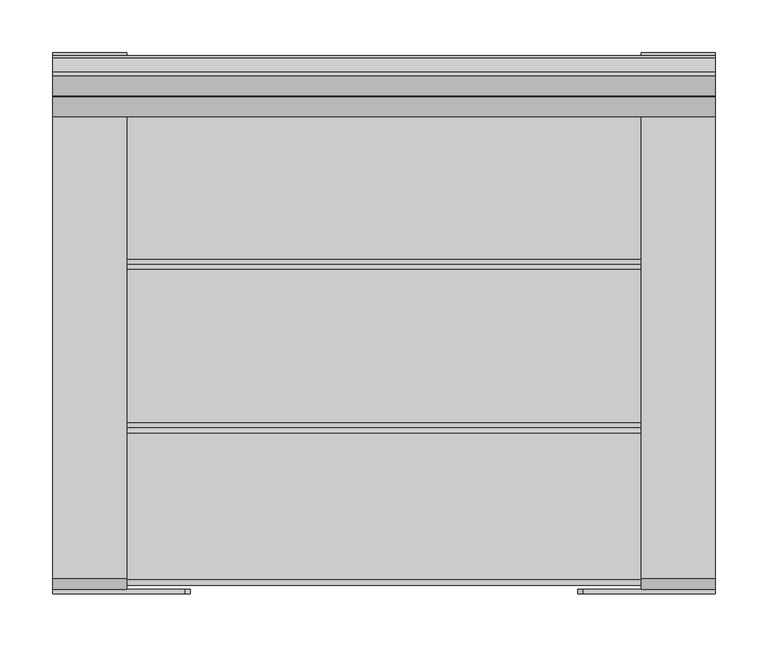
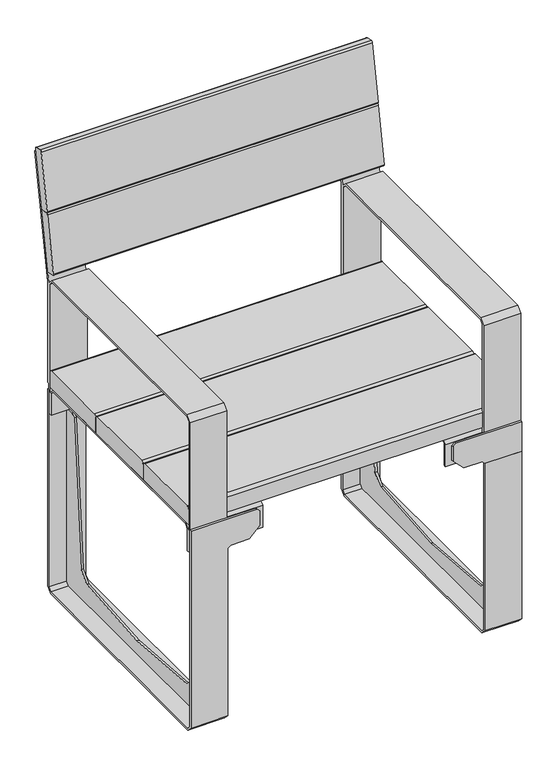
"""IFC4 building model written with IfcOpenShell, lengths in millimetres: furniture geometry."""

from ifc_helpers import new_model, si_unit, point, frame, frame_2d, origin, place, context, project, spatial, polyline, circle_curve, trimmed, segment, composite_curve, outline, extrude, faceted_brep, source, transform, mapped, element, save


def furniture_1dfdd522(model_context):
    return source(origin(), model_context, "Body", "SolidModel", [
        extrude(outline(polyline([(345.0000172, 313.0000809), (404.0000133, 313.0000809), (404.0000133, 188.0001526), (398.9997371, 182.9998764), (370.0000174, 182.9998764), (350.0000027, 202.9998911), (350.0000027, 238.0000076), (345.0000172, 242.9999931), (345.0000172, 313.0000809)])), frame((0.0, -234.4999942, 0.0), z_axis=(0.0, 1.0, 0.0), x_axis=(0.0, 0.0, 1.0)), (0.0, 0.0, 1.0), 4.0),
        extrude(outline(polyline([(-224.4999936, 4.0), (225.5000142, 4.0), (231.5000138, 9.9999995), (231.5000138, 357.9999867), (235.500024, 357.9999867), (235.500024, 10.000004), (225.5000199, 0.0), (-224.4999936, 0.0), (-234.4999942, 10.0000005), (-234.4999942, 345.0000172), (-230.4999942, 345.0000172), (-230.4999942, 10.0000005), (-224.4999936, 4.0)])), frame((243.0002838, 0.0, 0.0), z_axis=(1.0, 0.0, 0.0), x_axis=(0.0, 1.0, 0.0)), (0.0, 0.0, 1.0), 69.9997971),
        faceted_brep([(-243.0002838, -224.4999936, 4.0), (-243.0002838, -230.4999942, 10.0000005), (-243.0002838, -230.4999942, 345.0000172), (-243.0002838, -234.4999942, 344.9997265), (-243.0002838, -234.4999942, 10.0000005), (-243.0002838, -224.4999936, 0.0), (-243.0002838, 225.5000199, 0.0), (-243.0002838, 235.500024, 10.000004), (-243.0002838, 235.500024, 345.0000172), (-243.0002838, 231.5000138, 344.9997265), (-243.0002838, 231.5000138, 9.9999995), (-243.0002838, 225.5000142, 4.0), (-313.0000809, -224.4999936, 4.0), (-313.0000809, 225.5000142, 4.0), (-313.0000809, 231.5000138, 9.9999995), (-313.0000809, 231.500024, 404.0000133), (-313.0000809, 235.500024, 404.0000133), (-313.0000809, 235.500024, 10.000004), (-313.0000809, 225.5000199, 0.0), (-313.0000809, -224.4999936, 0.0), (-313.0000809, -234.4999942, 10.0000005), (-313.0000809, -234.4999942, 404.0000133), (-313.0000809, -230.4999942, 404.0000133), (-313.0000809, -230.4999942, 10.0000005), (-188.0001526, -230.4999942, 404.0000133), (-182.9998764, -230.4999942, 398.9997371), (-182.9998764, -230.4999942, 370.0000174), (-202.9998911, -230.4999942, 350.0000027), (-238.0000076, -230.4999942, 350.0000027), (-238.0000076, -234.4999942, 350.0000027), (-202.9998911, -234.4999942, 350.0000027), (-182.9998764, -234.4999942, 370.0000174), (-182.9998764, -234.4999942, 398.9997371), (-188.0001526, -234.4999942, 404.0000133), (-188.0001526, 235.500024, 404.0000133), (-182.9998764, 235.500024, 398.9997371), (-182.9998764, 235.500024, 370.0000174), (-202.9998911, 235.500024, 350.0000027), (-238.0000076, 235.500024, 350.0000027), (-238.0000076, 231.5000138, 350.0000027), (-202.9998911, 231.5000138, 350.0000027), (-182.9998764, 231.5000138, 370.0000174), (-182.9998764, 231.5000138, 398.9997371), (-188.0001526, 231.5000138, 404.0000133)], [[[0, 1, 2, 3, 4, 5, 6, 7, 8, 9, 10, 11]], [[12, 13, 14, 15, 16, 17, 18, 19, 20, 21, 22, 23]], [[1, 0, 12, 23]], [[2, 1, 23, 22, 24, 25, 26, 27, 28]], [[4, 3, 29, 30, 31, 32, 33, 21, 20]], [[5, 4, 20, 19]], [[6, 5, 19, 18]], [[7, 6, 18, 17]], [[7, 17, 16, 34, 35, 36, 37, 38, 8]], [[15, 14, 10, 9, 39, 40, 41, 42, 43]], [[11, 10, 14, 13]], [[0, 11, 13, 12]], [[29, 3, 2, 28]], [[30, 29, 28, 27]], [[31, 30, 27, 26]], [[32, 31, 26, 25]], [[33, 32, 25, 24]], [[21, 33, 24, 22]], [[8, 38, 39, 9]], [[38, 37, 40, 39]], [[37, 36, 41, 40]], [[36, 35, 42, 41]], [[35, 34, 43, 42]], [[34, 16, 15, 43]]]),
        extrude(outline(composite_curve([segment(trimmed(circle_curve(frame_2d((239.7125566, 757.0312626)), 3.0), [point((239.1916139, 754.076839))], [point((236.7581332, 757.5522066))], False, "CARTESIAN"), True, "CONTINUOUS"), segment(polyline([(236.7581332, 757.5522066), (255.6857663, 864.8962615)]), True, "CONTINUOUS"), segment(trimmed(circle_curve(frame_2d((258.6401897, 864.3753175)), 3.0), [point((255.6857663, 864.8962615))], [point((259.1611323, 867.3297411))], False, "CARTESIAN"), True, "CONTINUOUS"), segment(polyline([(259.1611323, 867.3297411), (271.9039212, 865.0828519)]), True, "CONTINUOUS"), segment(trimmed(circle_curve(frame_2d((271.3829785, 862.1284283)), 3.0), [point((271.9039212, 865.0828519))], [point((274.3374016, 861.6074829))], False, "CARTESIAN"), True, "CONTINUOUS"), segment(polyline([(274.3374016, 861.6074829), (254.8887747, 751.3090162), (239.1916139, 754.076839)]), True, "CONTINUOUS")], self_intersect=False)), frame((-313.0000809, 0.0, 0.0), z_axis=(1.0, 0.0, 0.0), x_axis=(0.0, 1.0, 0.0)), (0.0, 0.0, 1.0), 626.0001617),
        extrude(outline(composite_curve([segment(trimmed(circle_curve(frame_2d((219.7430883, 643.7783516)), 3.0), [point((219.2221456, 640.823928))], [point((216.7886649, 644.2992956))], False, "CARTESIAN"), True, "CONTINUOUS"), segment(polyline([(216.7886649, 644.2992956), (235.716298, 751.6433506)]), True, "CONTINUOUS"), segment(trimmed(circle_curve(frame_2d((238.6707213, 751.1224066)), 3.0), [point((235.716298, 751.6433506))], [point((239.191664, 754.0768301))], False, "CARTESIAN"), True, "CONTINUOUS"), segment(polyline([(239.191664, 754.0768301), (254.8890847, 751.3089615), (234.9195119, 638.056069), (219.2221456, 640.823928)]), True, "CONTINUOUS")], self_intersect=False)), frame((-313.0000809, 0.0, 0.0), z_axis=(1.0, 0.0, 0.0), x_axis=(0.0, 1.0, 0.0)), (0.0, 0.0, 1.0), 626.0001617),
        extrude(outline(composite_curve([segment(trimmed(circle_curve(frame_2d((72.2500086, 442.0000049)), 5.0), [point((72.2500086, 447.0000049))], [point((77.2500086, 442.0000049))], False, "CARTESIAN"), True, "CONTINUOUS"), segment(polyline([(77.2500086, 442.0000049), (77.2500086, 411.9999973), (-77.2499995, 411.9999973), (-77.2499995, 442.0000049)]), True, "CONTINUOUS"), segment(trimmed(circle_curve(frame_2d((-72.2499995, 442.0000049)), 5.0), [point((-77.2499995, 442.0000049))], [point((-72.2499995, 447.0000049))], False, "CARTESIAN"), True, "CONTINUOUS"), segment(polyline([(-72.2499995, 447.0000049), (72.2500086, 447.0000049)]), True, "CONTINUOUS")], self_intersect=False)), frame((-313.0000809, 0.0, 0.0), z_axis=(1.0, 0.0, 0.0), x_axis=(0.0, 1.0, 0.0)), (0.0, 0.0, 1.0), 626.0001617),
        extrude(outline(composite_curve([segment(trimmed(circle_curve(frame_2d((222.5000036, 442.0000049)), 5.0), [point((222.5000036, 447.0000049))], [point((227.5000036, 442.0000049))], False, "CARTESIAN"), True, "CONTINUOUS"), segment(polyline([(227.5000036, 442.0000049), (227.5000036, 411.9999973), (77.2500086, 411.9999973), (77.2500086, 442.0000049)]), True, "CONTINUOUS"), segment(trimmed(circle_curve(frame_2d((82.2500086, 442.0000049)), 5.0), [point((77.2500086, 442.0000049))], [point((82.2500086, 447.0000049))], False, "CARTESIAN"), True, "CONTINUOUS"), segment(polyline([(82.2500086, 447.0000049), (222.5000036, 447.0000049)]), True, "CONTINUOUS")], self_intersect=False)), frame((-313.0000809, 0.0, 0.0), z_axis=(1.0, 0.0, 0.0), x_axis=(0.0, 1.0, 0.0)), (0.0, 0.0, 1.0), 626.0001617),
        extrude(outline(composite_curve([segment(polyline([(-221.4999942, 447.0000049), (-82.2499995, 447.0000049)]), True, "CONTINUOUS"), segment(trimmed(circle_curve(frame_2d((-82.2499995, 442.0000049)), 5.0), [point((-82.2499995, 447.0000049))], [point((-77.2499995, 442.0000049))], False, "CARTESIAN"), True, "CONTINUOUS"), segment(polyline([(-77.2499995, 442.0000049), (-77.2499995, 411.9999973), (-226.4999942, 411.9999973), (-226.4999942, 442.0000049)]), True, "CONTINUOUS"), segment(trimmed(circle_curve(frame_2d((-221.4999942, 442.0000049)), 5.0), [point((-226.4999942, 442.0000049))], [point((-221.4999942, 447.0000049))], False, "CARTESIAN"), True, "CONTINUOUS")], self_intersect=False)), frame((-313.0000809, 0.0, 0.0), z_axis=(1.0, 0.0, 0.0), x_axis=(0.0, 1.0, 0.0)), (0.0, 0.0, 1.0), 626.0001617),
        faceted_brep([(172.9999054, 217.4999962, 411.9999973), (172.9999054, 227.5000036, 401.99999), (172.9999054, 227.5000036, 357.9999867), (172.9999054, 223.4999933, 357.9999867), (172.9999054, 223.4999933, 401.99999), (172.9999054, 217.4999962, 407.9999871), (172.9999054, -216.4999937, 407.9999871), (172.9999054, -222.4999942, 401.9999866), (172.9999054, -222.4999942, 357.9999867), (172.9999054, -226.4999942, 357.9999867), (172.9999054, -226.4999942, 401.99999), (172.9999054, -216.4999868, 411.9999973), (313.0000809, -222.4999942, 357.9999867), (313.0000809, -230.4999942, 357.9999867), (243.0002838, -230.4999942, 357.9999867), (243.0002838, -226.4999942, 357.9999867), (313.0000809, -222.4999942, 401.9999866), (313.0000809, -216.4999937, 407.9999871), (313.0000809, 217.4999962, 407.9999871), (313.0000809, 223.4999933, 401.99999), (313.0000809, 223.4999933, 357.9999867), (243.0002838, 227.5000036, 357.9999867), (243.0002838, 231.5000138, 357.9999867), (313.0000809, 231.5000138, 357.9999867), (313.0000809, 217.4999962, 411.9999973), (313.0000809, 227.5000036, 401.99999), (243.0002838, 227.5000036, 401.99999), (313.0000809, -216.4999868, 411.9999973), (243.0002838, -226.4999942, 401.99999), (313.0000809, -226.4999942, 401.99999), (243.0002838, -220.5000232, 627.999967), (243.0002838, 221.5000064, 627.999967), (243.0002838, 231.5000138, 618.6620195), (243.0002838, 273.1750136, 855.0159794), (243.0002838, 277.1140173, 854.3209637), (243.0002838, 235.500024, 618.3119682), (243.0002838, 235.500024, 416.9999828), (243.0002838, 231.5000138, 416.9999828), (243.0002838, 227.5000036, 617.999996), (243.0002838, 221.5000064, 623.9999931), (243.0002838, -220.499997, 623.9999931), (243.0002838, -226.4999942, 617.999996), (243.0002838, -230.4999942, 617.999996), (313.0000809, -220.5000232, 627.999967), (313.0000809, -230.4999942, 617.999996), (313.0000809, 231.5000138, 416.9999828), (313.0000809, 235.500024, 416.9999828), (313.0000809, 235.500024, 618.3119682), (313.0000809, 277.1140173, 854.3209637), (313.0000809, 273.1750136, 855.0159794), (313.0000809, 231.5000138, 618.6620195), (313.0000809, 221.5000064, 627.999967), (313.0000809, 221.5000064, 623.9999931), (313.0000809, 227.5000036, 617.999996), (313.0000809, -226.4999942, 617.999996), (313.0000809, -220.499997, 623.9999931)], [[[0, 1, 2, 3, 4, 5, 6, 7, 8, 9, 10, 11]], [[9, 8, 12, 13, 14, 15]], [[12, 8, 7, 16]], [[16, 7, 6, 17]], [[17, 6, 5, 18]], [[18, 5, 4, 19]], [[19, 4, 3, 20]], [[20, 3, 2, 21, 22, 23]], [[1, 0, 24, 25, 26]], [[24, 0, 11, 27]], [[27, 11, 10, 28, 29]], [[10, 9, 15, 28]], [[2, 1, 26, 21]], [[30, 31, 32, 33, 34, 35, 36, 37, 22, 21, 26, 38, 39, 40, 41, 28, 15, 14, 42]], [[43, 44, 13, 12, 16, 17, 18, 19, 20, 23, 45, 46, 47, 48, 49, 50, 51], [52, 53, 25, 24, 27, 29, 54, 55]], [[30, 42, 44, 43]], [[42, 14, 13, 44]], [[22, 37, 45, 23]], [[37, 36, 46, 45]], [[36, 35, 47, 46]], [[35, 34, 48, 47]], [[34, 33, 49, 48]], [[33, 32, 50, 49]], [[32, 31, 51, 50]], [[31, 30, 43, 51]], [[39, 38, 53, 52]], [[38, 26, 25, 53]], [[28, 41, 54, 29]], [[41, 40, 55, 54]], [[40, 39, 52, 55]]]),
        extrude(outline(polyline([(211.4999991, 357.9999867), (231.5000138, 357.9999867), (231.5000138, 9.9999995), (225.5000142, 4.0), (-0.8153985, 4.0), (-224.4999946, 4.0), (-230.4999942, 9.9999995), (-230.4999942, 357.9999867), (-210.4999795, 357.9999867), (-205.1318115, 351.9999896), (-181.8580141, 62.5439658), (-163.4292977, 44.1152494), (0.0, 30.937331), (164.5170248, 44.202957), (182.8580337, 62.5439658), (206.1318311, 351.9999896), (211.4999991, 357.9999867)])), frame((276.0000137, 0.0, 0.0), z_axis=(1.0, 0.0, 0.0), x_axis=(0.0, 1.0, 0.0)), (0.0, 0.0, 1.0), 3.9997559),
        extrude(outline(polyline([(345.0000172, 313.0000809), (404.0000133, 313.0000809), (404.0000133, 188.0001526), (398.9997371, 182.9998764), (370.0000174, 182.9998764), (350.0000027, 202.9998911), (350.0000027, 238.0000076), (345.0000172, 242.9999931), (345.0000172, 313.0000809)])), frame((0.0, 231.500024, 0.0), z_axis=(0.0, 1.0, 0.0), x_axis=(0.0, 0.0, 1.0)), (0.0, 0.0, 1.0), 4.0),
        faceted_brep([(-243.0002838, -220.5000232, 627.999967), (-243.0002838, -230.4999942, 617.999996), (-243.0002838, -230.4999942, 357.9999867), (-243.0002838, -226.4999942, 357.9999867), (-243.0002838, -226.4999942, 401.99999), (-243.0002838, -226.4999942, 617.999996), (-243.0002838, -220.499997, 623.9999931), (-243.0002838, 221.5000064, 623.9999931), (-243.0002838, 227.5000036, 617.999996), (-243.0002838, 227.5000036, 401.99999), (-243.0002838, 227.5000036, 357.9999867), (-243.0002838, 231.5000138, 357.9999867), (-243.0002838, 231.5000138, 416.9999828), (-243.0002838, 235.500024, 416.9999828), (-243.0002838, 235.500024, 618.3119682), (-243.0002838, 277.1140173, 854.3209637), (-243.0002838, 273.1750136, 855.0159794), (-243.0002838, 231.5000138, 618.6620195), (-243.0002838, 221.5000064, 627.999967), (-313.0000809, -220.5000232, 627.999967), (-313.0000809, 221.5000064, 627.999967), (-313.0000809, 231.5000138, 618.6620195), (-313.0000809, 273.1750136, 855.0159794), (-313.0000809, 277.1140173, 854.3209637), (-313.0000809, 235.500024, 618.3119682), (-313.0000809, 235.500024, 416.9999828), (-313.0000809, 231.5000138, 416.9999828), (-313.0000809, 231.5000138, 357.9999867), (-313.0000809, 223.4999933, 357.9999867), (-313.0000809, 223.4999933, 401.99999), (-313.0000809, 217.4999962, 407.9999871), (-313.0000809, -216.4999937, 407.9999871), (-313.0000809, -222.4999942, 401.9999866), (-313.0000809, -222.4999942, 357.9999867), (-313.0000809, -230.4999942, 357.9999867), (-313.0000809, -230.4999942, 617.999996), (-313.0000809, 221.5000064, 623.9999931), (-313.0000809, -220.499997, 623.9999931), (-313.0000809, -226.4999942, 617.999996), (-313.0000809, -226.4999942, 401.99999), (-313.0000809, -216.4999868, 411.9999973), (-313.0000809, 217.4999962, 411.9999973), (-313.0000809, 227.5000036, 401.99999), (-313.0000809, 227.5000036, 617.999996), (-172.9999054, -222.4999942, 357.9999867), (-172.9999054, -226.4999942, 357.9999867), (-172.9999054, -222.4999942, 401.9999866), (-172.9999054, -216.4999937, 407.9999871), (-172.9999054, 217.4999962, 407.9999871), (-172.9999054, 223.4999933, 401.99999), (-172.9999054, 223.4999933, 357.9999867), (-172.9999054, 227.5000036, 357.9999867), (-172.9999054, 217.4999962, 411.9999973), (-172.9999054, 227.5000036, 401.99999), (-172.9999054, -216.4999868, 411.9999973), (-172.9999054, -226.4999942, 401.99999)], [[[0, 1, 2, 3, 4, 5, 6, 7, 8, 9, 10, 11, 12, 13, 14, 15, 16, 17, 18]], [[19, 20, 21, 22, 23, 24, 25, 26, 27, 28, 29, 30, 31, 32, 33, 34, 35], [36, 37, 38, 39, 40, 41, 42, 43]], [[1, 0, 19, 35]], [[2, 1, 35, 34]], [[34, 33, 44, 45, 3, 2]], [[44, 33, 32, 46]], [[46, 32, 31, 47]], [[47, 31, 30, 48]], [[48, 30, 29, 49]], [[49, 29, 28, 50]], [[50, 28, 27, 11, 10, 51]], [[12, 11, 27, 26]], [[13, 12, 26, 25]], [[14, 13, 25, 24]], [[15, 14, 24, 23]], [[16, 15, 23, 22]], [[17, 16, 22, 21]], [[18, 17, 21, 20]], [[0, 18, 20, 19]], [[8, 7, 36, 43]], [[9, 8, 43, 42]], [[42, 41, 52, 53, 9]], [[52, 41, 40, 54]], [[54, 40, 39, 4, 55]], [[5, 4, 39, 38]], [[6, 5, 38, 37]], [[7, 6, 37, 36]], [[52, 54, 55, 45, 44, 46, 47, 48, 49, 50, 51, 53]], [[45, 55, 4, 3]], [[53, 51, 10, 9]]]),
        extrude(outline(polyline([(211.4999991, 357.9999867), (231.5000138, 357.9999867), (231.5000138, 9.9999995), (225.5000142, 4.0), (-0.8153985, 4.0), (-224.4999946, 4.0), (-230.4999942, 9.9999995), (-230.4999942, 357.9999867), (-210.4999795, 357.9999867), (-205.1318115, 351.9999896), (-181.8580141, 62.5439658), (-163.4292977, 44.1152494), (0.0, 30.937331), (164.5170248, 44.202957), (182.8580337, 62.5439658), (206.1318311, 351.9999896), (211.4999991, 357.9999867)])), frame((-279.9997696, 0.0, 0.0), z_axis=(1.0, 0.0, 0.0), x_axis=(0.0, 1.0, 0.0)), (0.0, 0.0, 1.0), 3.9997559),
    ])


if __name__ == "__main__":
    model = new_model("IFC4")
    model_context = context("Model", 3, world=origin())
    ifc_project = project(units=[si_unit("LENGTHUNIT", "METRE", prefix="MILLI")], contexts=[model_context])
    site = spatial("IfcSite", under=ifc_project)
    building = spatial("IfcBuilding", under=site)
    placement = place(None, origin())
    furniture_shape = furniture_1dfdd522(model_context)
    element("IfcFurniture", 1, at=placement, inside=building, context=model_context, shape_type="MappedRepresentation", body=[
        mapped(furniture_shape, transform((0.0, 0.0, 0.0), x_axis=(1.0, 0.0, 0.0), y_axis=(0.0, 1.0, 0.0), z_axis=(0.0, 0.0, 1.0))),
    ])
    save(model, "model.ifc")
